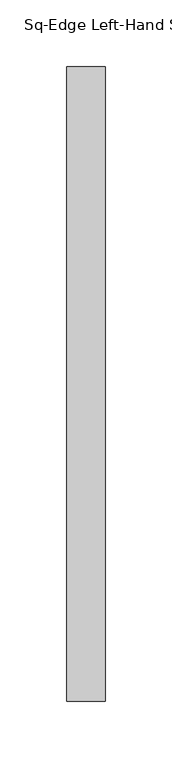
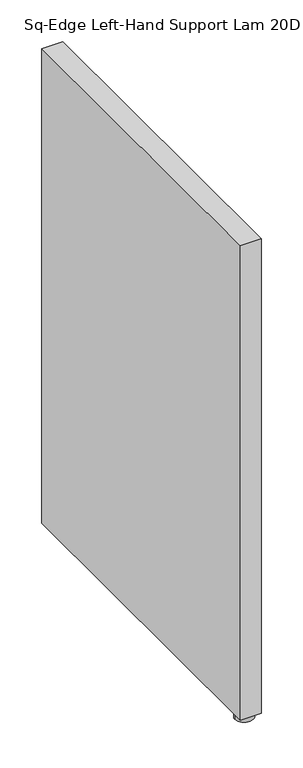
"""IFC4 building model written with IfcOpenShell, lengths in millimetres: furniture geometry, Sq-Edge Left-Hand Support Lam 20D."""

from ifc_helpers import new_model, si_unit, frame, origin, place, context, project, spatial, polyline, circle_curve, outline, extrude, source, transform, mapped, element, save
from ifc_brep_helpers import plane_surface, cylinder_surface, advanced_brep


def sq_edge_left_hand_support_lam_20d_00160144(model_context):
    return source(origin(), model_context, "Body", "SolidModel", [
        advanced_brep(
        [(15.9512, -463.1689845, 8.6613997), (20.0756459, -463.1689845, 8.6613997), (11.8267541, -463.1689845, 8.6613997), (3.2511996, -463.1689845, -1e-07), (28.6512004, -463.1689845, -1e-07), (15.9512, -463.1689845, -1e-07), (3.2511996, -463.1689845, 7.874), (28.6512004, -463.1689845, 7.874), (11.8267541, -463.1689845, 7.874), (20.0756459, -463.1689845, 7.874)],
        [
            (0, 1),
            (1, 2, circle_curve(frame((15.9512, -463.1689845, 8.6613997), z_axis=(0.0, 0.0, 1.0), x_axis=(1.0, 0.0, 0.0)), 4.1244459)),
            (2, 0),
            (2, 1, circle_curve(frame((15.9512, -463.1689845, 8.6613997), z_axis=(0.0, 0.0, 1.0), x_axis=(1.0, 0.0, 0.0)), 4.1244459)),
            (3, 4, circle_curve(frame((15.9512, -463.1689845, -1e-07), z_axis=(0.0, 0.0, -1.0), x_axis=(1.0, 0.0, 0.0)), 12.7000004)),
            (4, 5),
            (5, 3),
            (4, 3, circle_curve(frame((15.9512, -463.1689845, -1e-07), z_axis=(0.0, 0.0, -1.0), x_axis=(1.0, 0.0, 0.0)), 12.7000004)),
            (6, 7, circle_curve(frame((15.9512, -463.1689845, 7.874), z_axis=(0.0, 0.0, -1.0), x_axis=(1.0, 0.0, 0.0)), 12.7000004)),
            (7, 4),
            (3, 6),
            (7, 6, circle_curve(frame((15.9512, -463.1689845, 7.874), z_axis=(0.0, 0.0, -1.0), x_axis=(1.0, 0.0, 0.0)), 12.7000004)),
            (8, 9, circle_curve(frame((15.9512, -463.1689845, 7.874), z_axis=(0.0, 0.0, -1.0), x_axis=(1.0, 0.0, 0.0)), 4.1244459)),
            (9, 7),
            (6, 8),
            (9, 8, circle_curve(frame((15.9512, -463.1689845, 7.874), z_axis=(0.0, 0.0, -1.0), x_axis=(1.0, 0.0, 0.0)), 4.1244459)),
            (1, 9),
            (8, 2),
        ],
        [
            plane_surface(frame((15.9512, -463.1689845, 8.6613997), z_axis=(0.0, 0.0, 1.0), x_axis=(1.0, 0.0, 0.0))),
            plane_surface(frame((15.9512, -463.1689845, -1e-07), z_axis=(0.0, 0.0, -1.0), x_axis=(1.0, 0.0, 0.0))),
            cylinder_surface(frame((15.9512, -463.1689845, 15.4967659), z_axis=(0.0, 0.0, 1.0), x_axis=(1.0, 0.0, 0.0)), 12.7000004),
            plane_surface(frame((15.9512, -463.1689845, 7.874), z_axis=(0.0, 0.0, 1.0), x_axis=(1.0, 0.0, 0.0))),
            cylinder_surface(frame((15.9512, -463.1689845, 15.4967659), z_axis=(0.0, 0.0, 1.0), x_axis=(1.0, 0.0, 0.0)), 4.1244459),
        ],
        [
            (0, [[1, 2, 3]]),
            (0, [[-3, 4, -1]]),
            (1, [[5, 6, 7]]),
            (1, [[8, -7, -6]]),
            (2, [[9, 10, -5, 11]]),
            (2, [[12, -11, -8, -10]]),
            (3, [[13, 14, -9, 15]]),
            (3, [[16, -15, -12, -14]]),
            (4, [[-2, 17, -13, 18]]),
            (4, [[-4, -18, -16, -17]]),
        ],
    ),
        extrude(outline(polyline([(30.3784, -479.044), (1.524, -479.044), (1.524, -3.556), (30.3784, -3.556), (30.3784, -479.044)])), frame((0.0, 0.0, 8.6614), z_axis=(0.0, 0.0, 1.0), x_axis=(1.0, 0.0, 0.0)), (0.0, 0.0, 1.0), 693.7502),
    ])


if __name__ == "__main__":
    model = new_model("IFC4")
    model_context = context("Model", 3, world=origin())
    ifc_project = project(units=[si_unit("LENGTHUNIT", "METRE", prefix="MILLI")], contexts=[model_context])
    site = spatial("IfcSite", under=ifc_project)
    building = spatial("IfcBuilding", under=site)
    placement = place(None, origin())
    sq_edge_left_hand_support_lam_20d_shape = sq_edge_left_hand_support_lam_20d_00160144(model_context)
    element("IfcFurniture", 1, ObjectType="Sq-Edge Left-Hand Support Lam 20D", at=placement, inside=building, context=model_context, shape_type="MappedRepresentation", body=[
        mapped(sq_edge_left_hand_support_lam_20d_shape, transform((0.0, 0.0, 0.0), x_axis=(1.0, 0.0, 0.0), y_axis=(0.0, 1.0, 0.0), z_axis=(0.0, 0.0, 1.0))),
    ])
    save(model, "model.ifc")
